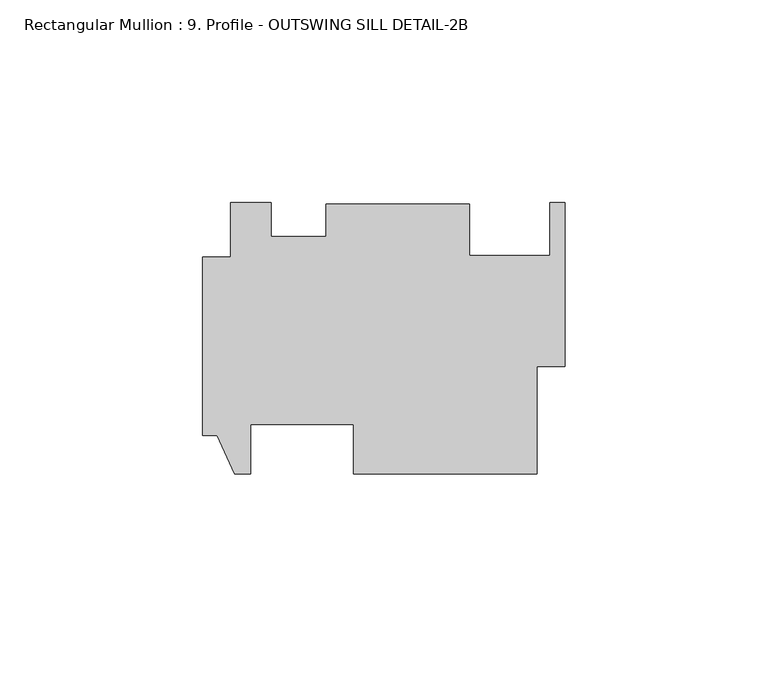
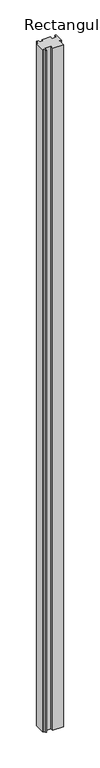
"""IFC4 building model written with IfcOpenShell, lengths in millimetres: member geometry, Rectangular Mullion : 9. Profile - OUTSWING SILL DETAIL-2B."""

from ifc_helpers import new_model, si_unit, frame, origin, place, context, project, spatial, polyline, outline, extrude, source, transform, mapped, element, save


def rectangular_mullion_9_profile_outswing_sill_detail_2b_df36baa9(model_context):
    return source(origin(), model_context, "Body", "SweptSolid", [
        extrude(outline(polyline([(-6.9088, -5.6278977), (-6.9088, -32.1200977), (-52.2224, -32.1200977), (-52.2224, -19.9026977), (-77.6224, -19.9026977), (-77.6224, -32.1200977), (-81.534, -32.1200977), (-85.852, -22.5950977), (-89.4588, -22.5950977), (-89.4588, 21.3723023), (-82.55, 21.3723023), (-82.55, 34.8597023), (-72.53478, 34.8597023), (-72.53478, 26.4210022), (-58.9788, 26.4210022), (-58.9788, 34.5140008), (-23.5712, 34.5140008), (-23.5712, 21.8095593), (-3.7338, 21.8095593), (-3.7338, 34.8597023), (0.0, 34.8597023), (0.0, -5.6278977), (-6.9088, -5.6278977)])), frame((0.0, 0.0, -3048.0), z_axis=(0.0, 0.0, 1.0), x_axis=(1.0, 0.0, 0.0)), (0.0, 0.0, 1.0), 3048.0),
    ])


if __name__ == "__main__":
    model = new_model("IFC4")
    model_context = context("Model", 3, world=origin())
    ifc_project = project(units=[si_unit("LENGTHUNIT", "METRE", prefix="MILLI")], contexts=[model_context])
    site = spatial("IfcSite", under=ifc_project)
    building = spatial("IfcBuilding", under=site)
    placement = place(None, origin())
    rectangular_mullion_9_profile_outswing_sill_detail_2b_shape = rectangular_mullion_9_profile_outswing_sill_detail_2b_df36baa9(model_context)
    element("IfcMember", 1, ObjectType="Rectangular Mullion : 9. Profile - OUTSWING SILL DETAIL-2B", at=placement, inside=building, context=model_context, shape_type="MappedRepresentation", body=[
        mapped(rectangular_mullion_9_profile_outswing_sill_detail_2b_shape, transform((0.0, 0.0, 0.0), x_axis=(1.0, 0.0, 0.0), y_axis=(0.0, 1.0, 0.0), z_axis=(0.0, 0.0, 1.0))),
    ])
    save(model, "model.ifc")
